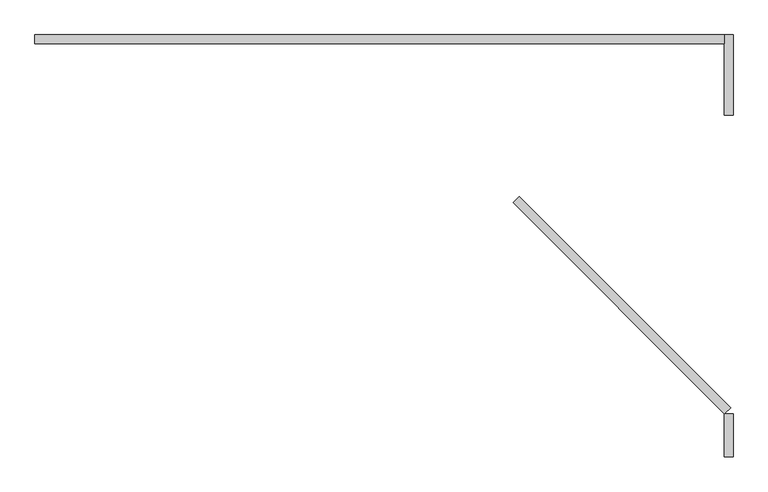
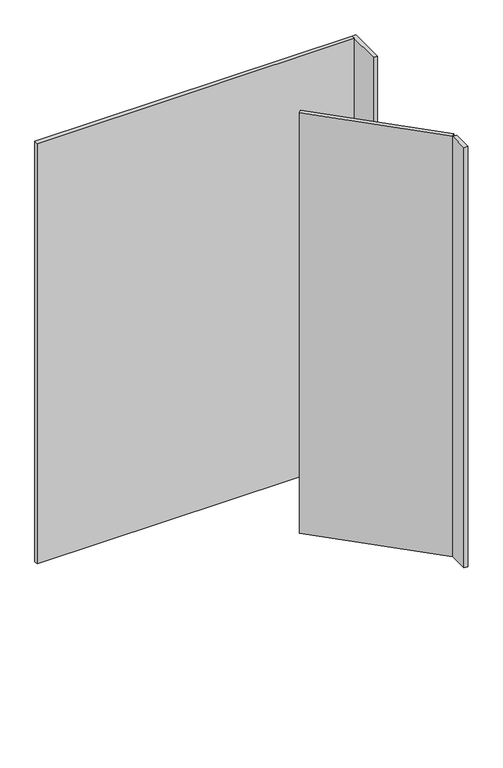
"""IFC4 building model written with IfcOpenShell, lengths in millimetres: proxy geometry."""

import ifcopenshell
import ifcopenshell.guid

model = None  # the IFC model being written
_history = None  # IfcOwnerHistory: only IFC2X3 demands one
_inside = {}  # id of a spatial element -> (the spatial element, [elements in it])
_under = {}  # id of a project, library or spatial element -> (it, [spatial elements below it])
_declared = {}  # id of a project -> (the project, [libraries it declares])
_typed = {}  # id of a type object -> (the type object, [elements of that type])
_made_of = {}  # id of a material, layer set ... -> (it, [elements and type objects made of it])


def new_model(schema):
    """Start an empty IFC model of exactly this schema.

    Asked for "IFC4X3", IfcOpenShell would pick the latest addendum, in which some entities
    have other attributes; the version numbers below select the first issue.
    IFC2X3 requires an IfcOwnerHistory on every rooted entity: one is made here for all.
    """
    global model, _history
    if schema == "IFC4X3":
        model = ifcopenshell.file(schema_version=(4, 3, 0, 0))
    else:
        model = ifcopenshell.file(schema=schema)
    _inside.clear()
    _under.clear()
    _declared.clear()
    _typed.clear()
    _made_of.clear()
    _history = None
    if model.schema == "IFC2X3":
        org = make("IfcOrganization", Name="unknown")
        user = make(
            "IfcPersonAndOrganization",
            ThePerson=make("IfcPerson", FamilyName="unknown"),
            TheOrganization=org,
        )
        app = make(
            "IfcApplication",
            ApplicationDeveloper=org,
            Version="unknown",
            ApplicationFullName="unknown",
            ApplicationIdentifier="unknown",
        )
        _history = make(
            "IfcOwnerHistory",
            OwningUser=user,
            OwningApplication=app,
            ChangeAction="ADDED",
            CreationDate=0,
        )
    return model


def make(cls, **values):
    """One entity of the class cls with the attributes given. An attribute that is None is left unset."""
    return model.create_entity(
        cls, **{name: value for name, value in values.items() if value is not None}
    )


def rooted(cls, **values):
    """An entity with a GlobalId (a new one), such as an element, a storey or a relation."""
    return make(cls, GlobalId=ifcopenshell.guid.new(), OwnerHistory=_history, **values)


def si_unit(unit_type, name, prefix=None):
    """IfcSIUnit, for example si_unit("LENGTHUNIT", "METRE", prefix="MILLI")."""
    return make("IfcSIUnit", UnitType=unit_type, Prefix=prefix, Name=name)


def assignment(units):
    """IfcUnitAssignment: the units of a project."""
    return None if units is None else make("IfcUnitAssignment", Units=units)


def point(xyz):
    """IfcCartesianPoint."""
    return None if xyz is None else make("IfcCartesianPoint", Coordinates=xyz)


def direction(xyz):
    """IfcDirection."""
    return None if xyz is None else make("IfcDirection", DirectionRatios=xyz)


def frame(location, z_axis=None, x_axis=None):
    """IfcAxis2Placement3D, a coordinate frame: its origin and axes. An axis left out is left unset."""
    return make(
        "IfcAxis2Placement3D",
        Location=point(location),
        Axis=direction(z_axis),
        RefDirection=direction(x_axis),
    )


def origin():
    """The frame at (0, 0, 0) with its axes left unset."""
    return frame((0.0, 0.0, 0.0))


def origin_with_axes():
    """The frame at (0, 0, 0) with the z axis (0, 0, 1) and the x axis (1, 0, 0) written out."""
    return frame((0.0, 0.0, 0.0), z_axis=(0.0, 0.0, 1.0), x_axis=(1.0, 0.0, 0.0))


def place(relative_to, where):
    """IfcLocalPlacement: puts the frame where relative to a parent placement (None: the world)."""
    return make(
        "IfcLocalPlacement", PlacementRelTo=relative_to, RelativePlacement=where
    )


def context(
    kind, dimensions, precision=None, world=None, true_north=None, identifier=None
):
    """IfcGeometricRepresentationContext, for example the 3D "Model" context."""
    return make(
        "IfcGeometricRepresentationContext",
        ContextIdentifier=identifier,
        ContextType=kind,
        CoordinateSpaceDimension=dimensions,
        Precision=precision,
        WorldCoordinateSystem=world,
        TrueNorth=true_north,
    )


def project(units=None, contexts=None):
    """IfcProject with its units and contexts."""
    return rooted(
        "IfcProject",
        Name="project",
        RepresentationContexts=contexts,
        UnitsInContext=assignment(units),
    )


def spatial(cls, under=None, at=None, **own):
    """A site, building, storey or space (cls), placed at a placement, below another one or the project."""
    s = rooted(cls, ObjectPlacement=at, **own)
    if under is not None:
        _under.setdefault(under.id(), (under, []))[1].append(s)
    return s


def polyline(points):
    """IfcPolyline through the points."""
    return make("IfcPolyline", Points=[point(p) for p in points])


def outline(outer, holes=None, kind="AREA"):
    """IfcArbitraryClosedProfileDef: a profile drawn as a closed curve; with holes, ...WithVoids."""
    if holes is None:
        return make("IfcArbitraryClosedProfileDef", ProfileType=kind, OuterCurve=outer)
    return make(
        "IfcArbitraryProfileDefWithVoids",
        ProfileType=kind,
        OuterCurve=outer,
        InnerCurves=holes,
    )


def extrude(swept, where, along, depth):
    """IfcExtrudedAreaSolid: the profile swept, set in the frame where, extruded along a direction by depth."""
    return make(
        "IfcExtrudedAreaSolid",
        SweptArea=swept,
        Position=where,
        ExtrudedDirection=direction(along),
        Depth=depth,
    )


def shape(context_of_items, identifier, shape_type, items):
    """IfcShapeRepresentation: the items that make up one representation, for example the "Body"."""
    return make(
        "IfcShapeRepresentation",
        ContextOfItems=context_of_items,
        RepresentationIdentifier=identifier,
        RepresentationType=shape_type,
        Items=items,
    )


def source(mapping_origin, context_of_items, identifier, shape_type, items):
    """IfcRepresentationMap: a shape defined once, which mapped items show again and again."""
    return make(
        "IfcRepresentationMap",
        MappingOrigin=mapping_origin,
        MappedRepresentation=shape(context_of_items, identifier, shape_type, items),
    )


def transform(
    local_origin,
    x_axis=None,
    y_axis=None,
    z_axis=None,
    scale=None,
    scale2=None,
    scale3=None,
    uniform=True,
):
    """IfcCartesianTransformationOperator3D, or its non-uniform kind. x_axis, y_axis, z_axis: its Axis1, 2, 3."""
    if uniform:
        return make(
            "IfcCartesianTransformationOperator3D",
            Axis1=direction(x_axis),
            Axis2=direction(y_axis),
            LocalOrigin=point(local_origin),
            Scale=scale,
            Axis3=direction(z_axis),
        )
    return make(
        "IfcCartesianTransformationOperator3DnonUniform",
        Axis1=direction(x_axis),
        Axis2=direction(y_axis),
        LocalOrigin=point(local_origin),
        Scale=scale,
        Axis3=direction(z_axis),
        Scale2=scale2,
        Scale3=scale3,
    )


def mapped(mapping_source, mapping_target):
    """IfcMappedItem: shows the shape of a source again, moved by a transform."""
    return make(
        "IfcMappedItem", MappingSource=mapping_source, MappingTarget=mapping_target
    )


def made_of(thing, what):
    """Note that an element or type object is made of a material, layer set ...; save() writes the relation."""
    if what is not None:
        _made_of.setdefault(what.id(), (what, []))[1].append(thing)
    return thing


def element(
    cls,
    number,
    at=None,
    inside=None,
    cuts=None,
    type_object=None,
    material=None,
    context=None,
    identifier="Body",
    shape_type=None,
    held_by="IfcProductDefinitionShape",
    body=None,
    shapes=None,
    **own,
):
    """One element of the class cls, such as IfcWall. Its Tag is "e" and its number.

    at: its placement. inside: the storey or other place that contains it. cuts: it is an
    opening in that element (IfcRelVoidsElement). A single representation is given by context,
    identifier, shape_type and body (its items); several are given by shapes. held_by: the class
    of the entity that holds the representations. save() writes the other relations.
    """
    e = rooted(cls, Tag="e%d" % number, ObjectPlacement=at, **own)
    if body is not None:
        shapes = [shape(context, identifier, shape_type, body)]
    if shapes is not None:
        e.Representation = make(held_by, Representations=shapes)
    if inside is not None:
        _inside.setdefault(inside.id(), (inside, []))[1].append(e)
    if cuts is not None:
        rooted(
            "IfcRelVoidsElement", RelatingBuildingElement=cuts, RelatedOpeningElement=e
        )
    if type_object is not None:
        _typed.setdefault(type_object.id(), (type_object, []))[1].append(e)
    return made_of(e, material)


def aggregate(whole, parts):
    """IfcRelAggregates: a whole, such as a stair, and the parts it consists of."""
    return rooted("IfcRelAggregates", RelatingObject=whole, RelatedObjects=parts)


def save(model, path):
    """Write the relations noted so far, then the file.

    IfcRelAggregates (storeys below a building ...), IfcRelContainedInSpatialStructure (elements
    in a storey), IfcRelDefinesByType, IfcRelAssociatesMaterial and IfcRelDeclares: one each for
    every whole, place, type object, material and project.
    """
    for whole, parts in _under.values():
        aggregate(whole, parts)
    for where, things in _inside.values():
        rooted(
            "IfcRelContainedInSpatialStructure",
            RelatedElements=things,
            RelatingStructure=where,
        )
    for kind, things in _typed.values():
        rooted("IfcRelDefinesByType", RelatedObjects=things, RelatingType=kind)
    for what, things in _made_of.values():
        rooted("IfcRelAssociatesMaterial", RelatedObjects=things, RelatingMaterial=what)
    for by, libraries in _declared.values():
        rooted("IfcRelDeclares", RelatingContext=by, RelatedDefinitions=libraries)
    model.write(path)


def generic_models_b1d3453d(model_context):
    return source(origin(), model_context, "Body", "SweptSolid", [
        extrude(outline(polyline([(1070.4970659, 575.6937025), (1537.4703842, 108.7203842), (1524.0, 95.25), (1057.0266817, 562.2233183), (1070.4970659, 575.6937025)])), frame((0.0, 0.0, 304.8), z_axis=(0.0, 0.0, 1.0), x_axis=(1.0, 0.0, 0.0)), (0.0, 0.0, 1.0), 2133.6),
        extrude(outline(polyline([(0.0, 914.4), (0.0, 933.45), (1524.0, 933.45), (1524.0, 914.4), (0.0, 914.4)])), frame((0.0, 0.0, 304.8), z_axis=(0.0, 0.0, 1.0), x_axis=(1.0, 0.0, 0.0)), (0.0, 0.0, 1.0), 2133.6),
        extrude(outline(polyline([(1524.0, 95.25), (1543.05, 95.25), (1543.05, 0.0), (1524.0, 0.0), (1524.0, 95.25)])), frame((0.0, 0.0, 304.8), z_axis=(0.0, 0.0, 1.0), x_axis=(1.0, 0.0, 0.0)), (0.0, 0.0, 1.0), 2133.6),
        extrude(outline(polyline([(1524.0, 933.45), (1543.05, 933.45), (1543.05, 755.65), (1524.0, 755.65), (1524.0, 933.45)])), origin_with_axes(), (0.0, 0.0, 1.0), 2438.4),
    ])


if __name__ == "__main__":
    model = new_model("IFC4")
    model_context = context("Model", 3, world=origin())
    ifc_project = project(units=[si_unit("LENGTHUNIT", "METRE", prefix="MILLI")], contexts=[model_context])
    site = spatial("IfcSite", under=ifc_project)
    building = spatial("IfcBuilding", under=site)
    placement = place(None, origin())
    generic_models_shape = generic_models_b1d3453d(model_context)
    element("IfcBuildingElementProxy", 1, Name="Generic Models", at=placement, inside=building, context=model_context, shape_type="MappedRepresentation", body=[
        mapped(generic_models_shape, transform((0.0, 0.0, 0.0), x_axis=(1.0, 0.0, 0.0), y_axis=(0.0, 1.0, 0.0), z_axis=(0.0, 0.0, 1.0))),
    ])
    save(model, "model.ifc")
